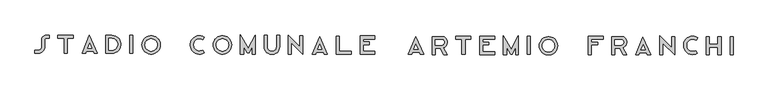
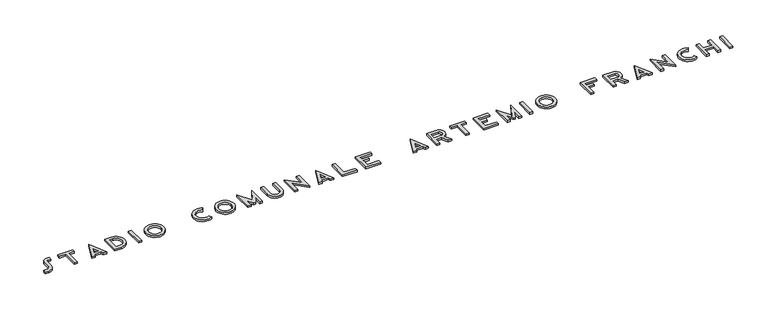
"""IFC4 building model written with IfcOpenShell, lengths in millimetres: proxy geometry."""

from ifc_helpers import new_model, si_unit, point, frame_2d, origin, origin_with_axes, place, context, project, spatial, polyline, circle_curve, trimmed, segment, composite_curve, outline, extrude, source, transform, mapped, element, save


def generic_models_a0e6b4f7(model_context):
    return source(origin(), model_context, "Body", "SweptSolid", [
        extrude(outline(composite_curve([segment(polyline([(-11337.7791341, -523.1241487), (-11449.7045724, -523.1241487), (-11449.7045724, -423.1241487), (-11337.7791341, -423.1241487)]), True, "CONTINUOUS"), segment(trimmed(circle_curve(frame_2d((-11337.7791341, -314.0341796)), 109.089969), [point((-11337.7791341, -423.1241487))], [point((-11228.6891651, -314.0341796))], True, "CARTESIAN"), True, "CONTINUOUS"), segment(polyline([(-11228.6891651, -314.0341796), (-11228.6891651, -81.2560431)]), True, "CONTINUOUS"), segment(trimmed(circle_curve(frame_2d((-11083.9654954, -81.2560431)), 144.7236697), [point((-11228.6891651, -81.2560431))], [point((-11083.9654954, 63.4676266))], False, "CARTESIAN"), True, "CONTINUOUS"), segment(polyline([(-11083.9654954, 63.4676266), (-10983.3874544, 63.4676266), (-10983.3874544, -36.5323734), (-11083.9654954, -36.5323734)]), True, "CONTINUOUS"), segment(trimmed(circle_curve(frame_2d((-11083.9654954, -81.2560431)), 44.7236697), [point((-11083.9654954, -36.5323734))], [point((-11128.6891651, -81.2560431))], True, "CARTESIAN"), True, "CONTINUOUS"), segment(polyline([(-11128.6891651, -81.2560431), (-11128.6891651, -314.0341796)]), True, "CONTINUOUS"), segment(trimmed(circle_curve(frame_2d((-11337.7791341, -314.0341796)), 209.089969), [point((-11128.6891651, -314.0341796))], [point((-11337.7791341, -523.1241487))], False, "CARTESIAN"), True, "CONTINUOUS")], self_intersect=False)), origin_with_axes(), (0.0, 0.0, 1.0), 60.0),
        extrude(outline(polyline([(-10493.4165696, -36.5323734), (-10696.1631427, -36.5323734), (-10696.1631427, 61.4618035), (-10196.0549292, 61.4618035), (-10196.0549292, -36.5323734), (-10381.9059545, -36.5323734), (-10381.9059545, -523.1241487), (-10493.4165696, -523.1241487), (-10493.4165696, -36.5323734)])), origin_with_axes(), (0.0, 0.0, 1.0), 60.0),
        extrude(outline(polyline([(-9662.5052329, 61.4618035), (-9402.2307979, -523.1241487), (-9511.6944258, -523.1241487), (-9543.926581, -450.7295427), (-9761.5904951, -450.7295427), (-9790.8398145, -523.1241487), (-9898.6932888, -523.1241487), (-9662.5052329, 61.4618035)]), holes=[polyline([(-9583.9826015, -360.7622476), (-9658.0386303, -194.4296836), (-9725.2413484, -360.7622476), (-9583.9826015, -360.7622476)])]), origin_with_axes(), (0.0, 0.0, 1.0), 60.0),
        extrude(outline(composite_curve([segment(polyline([(-9128.2563113, 61.4618035), (-8925.5097383, 61.4618035)]), True, "CONTINUOUS"), segment(trimmed(circle_curve(frame_2d((-8925.5097383, -230.8311726)), 292.2929761), [point((-8925.5097383, 61.4618035))], [point((-8925.5097383, -523.1241487))], False, "CARTESIAN"), True, "CONTINUOUS"), segment(polyline([(-8925.5097383, -523.1241487), (-9128.2563113, -523.1241487), (-9128.2563113, 61.4618035)]), True, "CONTINUOUS")], self_intersect=False), holes=[composite_curve([segment(polyline([(-9028.2563113, -38.5381965), (-9028.2563113, -423.1241487), (-8925.5097383, -423.1241487)]), True, "CONTINUOUS"), segment(trimmed(circle_curve(frame_2d((-8925.5097383, -230.8311726)), 192.2929761), [point((-8925.5097383, -423.1241487))], [point((-8925.5097383, -38.5381965))], True, "CARTESIAN"), True, "CONTINUOUS"), segment(polyline([(-8925.5097383, -38.5381965), (-9028.2563113, -38.5381965)]), True, "CONTINUOUS")], self_intersect=False)]), origin_with_axes(), (0.0, 0.0, 1.0), 60.0),
        extrude(outline(polyline([(-8339.9100532, 61.4618035), (-8239.9100532, 61.4618035), (-8239.9100532, -523.1241487), (-8339.9100532, -523.1241487), (-8339.9100532, 61.4618035)])), origin_with_axes(), (0.0, 0.0, 1.0), 60.0),
        extrude(outline(composite_curve([segment(trimmed(circle_curve(frame_2d((-7640.4343763, -249.5536038)), 302.2469198), [point((-7942.6812962, -249.5536038))], [point((-7338.1874565, -249.5536038))], False, "CARTESIAN"), True, "CONTINUOUS"), segment(trimmed(circle_curve(frame_2d((-7640.4343763, -249.5536038)), 302.2469198), [point((-7338.1874565, -249.5536038))], [point((-7942.6812962, -249.5536038))], False, "CARTESIAN"), True, "CONTINUOUS")], self_intersect=False), holes=[composite_curve([segment(trimmed(circle_curve(frame_2d((-7640.4343763, -249.5536038)), 202.2469198), [point((-7842.6812962, -249.5536038))], [point((-7438.1874565, -249.5536038))], True, "CARTESIAN"), True, "CONTINUOUS"), segment(trimmed(circle_curve(frame_2d((-7640.4343763, -249.5536038)), 202.2469198), [point((-7438.1874565, -249.5536038))], [point((-7842.6812962, -249.5536038))], True, "CARTESIAN"), True, "CONTINUOUS")], self_intersect=False)]), origin_with_axes(), (0.0, 0.0, 1.0), 60.0),
        extrude(outline(composite_curve([segment(trimmed(circle_curve(frame_2d((-6055.7484597, -249.5536038)), 302.2469198), [point((-5903.0620509, -510.3985024))], [point((-5894.0175099, 5.7820585))], False, "CARTESIAN"), True, "CONTINUOUS"), segment(polyline([(-5894.0175099, 5.7820585), (-5947.5270543, -78.6971026)]), True, "CONTINUOUS"), segment(trimmed(circle_curve(frame_2d((-6055.7484597, -249.5536038)), 202.2469198), [point((-5947.5270543, -78.6971026))], [point((-5953.5791609, -424.0965812))], True, "CARTESIAN"), True, "CONTINUOUS"), segment(polyline([(-5953.5791609, -424.0965812), (-5903.0620509, -510.3985024)]), True, "CONTINUOUS")], self_intersect=False)), origin_with_axes(), (0.0, 0.0, 1.0), 60.0),
        extrude(outline(composite_curve([segment(trimmed(circle_curve(frame_2d((-5301.8691191, -249.5536038)), 302.2469198), [point((-5604.1160389, -249.5536038))], [point((-4999.6221992, -249.5536038))], False, "CARTESIAN"), True, "CONTINUOUS"), segment(trimmed(circle_curve(frame_2d((-5301.8691191, -249.5536038)), 302.2469198), [point((-4999.6221992, -249.5536038))], [point((-5604.1160389, -249.5536038))], False, "CARTESIAN"), True, "CONTINUOUS")], self_intersect=False), holes=[composite_curve([segment(trimmed(circle_curve(frame_2d((-5301.8691191, -249.5536038)), 202.2469198), [point((-5504.1160389, -249.5536038))], [point((-5099.6221992, -249.5536038))], True, "CARTESIAN"), True, "CONTINUOUS"), segment(trimmed(circle_curve(frame_2d((-5301.8691191, -249.5536038)), 202.2469198), [point((-5099.6221992, -249.5536038))], [point((-5504.1160389, -249.5536038))], True, "CARTESIAN"), True, "CONTINUOUS")], self_intersect=False)]), origin_with_axes(), (0.0, 0.0, 1.0), 60.0),
        extrude(outline(polyline([(-4716.7029053, 77.1297911), (-4457.4963671, -365.6909139), (-4229.0056982, 64.0375342), (-4229.0056982, -551.6784209), (-4321.2097593, -551.6784209), (-4321.2097593, -315.4328026), (-4425.5554055, -511.6784209), (-4492.1101887, -511.6784209), (-4608.2993279, -313.1843672), (-4608.2993279, -551.6784209), (-4716.7029053, -551.6784209), (-4716.7029053, 77.1297911)])), origin_with_axes(), (0.0, 0.0, 1.0), 60.0),
        extrude(outline(composite_curve([segment(polyline([(-3929.2234623, -314.7802396), (-3929.2234623, 65.3763665), (-3829.2234623, 65.3763665), (-3829.2234623, -314.7802396)]), True, "CONTINUOUS"), segment(trimmed(circle_curve(frame_2d((-3679.4631912, -314.7802396)), 149.7602711), [point((-3829.2234623, -314.7802396))], [point((-3529.7029201, -314.7802396))], True, "CARTESIAN"), True, "CONTINUOUS"), segment(polyline([(-3529.7029201, -314.7802396), (-3529.7029201, 65.3763665), (-3429.7029201, 65.3763665), (-3429.7029201, -314.7802396)]), True, "CONTINUOUS"), segment(trimmed(circle_curve(frame_2d((-3679.4631912, -314.7802396)), 249.7602711), [point((-3429.7029201, -314.7802396))], [point((-3929.2234623, -314.7802396))], False, "CARTESIAN"), True, "CONTINUOUS")], self_intersect=False)), origin_with_axes(), (0.0, 0.0, 1.0), 60.0),
        extrude(outline(polyline([(-3148.4974438, 65.3763665), (-2765.0419688, -318.0791085), (-2765.0419688, 41.8695175), (-2665.0419688, 41.8695175), (-2665.0419688, -559.5004648), (-3048.4974438, -176.0449897), (-3048.4974438, -551.6784209), (-3148.4974438, -551.6784209), (-3148.4974438, 65.3763665)])), origin_with_axes(), (0.0, 0.0, 1.0), 60.0),
        extrude(outline(polyline([(-2120.1086326, 21.4618035), (-1859.8341976, -563.1241487), (-1969.2978255, -563.1241487), (-2001.5299808, -490.7295427), (-2219.1938948, -490.7295427), (-2248.4432143, -563.1241487), (-2356.2966885, -563.1241487), (-2120.1086326, 21.4618035)]), holes=[polyline([(-2041.5860013, -400.7622476), (-2115.6420301, -234.4296836), (-2182.8447482, -400.7622476), (-2041.5860013, -400.7622476)])]), origin_with_axes(), (0.0, 0.0, 1.0), 60.0),
        extrude(outline(polyline([(-1568.956119, -563.1241487), (-1568.956119, 31.8695175), (-1468.956119, 31.8695175), (-1468.956119, -463.1241487), (-1079.3231452, -463.1241487), (-1079.3231452, -563.1241487), (-1568.956119, -563.1241487)])), origin_with_axes(), (0.0, 0.0, 1.0), 60.0),
        extrude(outline(polyline([(-788.7577309, 41.8695175), (-300.9906132, 41.8695175), (-300.9906132, -60.7129965), (-688.8536224, -60.7129965), (-688.8536224, -145.9253243), (-489.0454055, -145.9253243), (-489.0454055, -238.7677889), (-688.8536224, -238.7677889), (-688.8536224, -463.1241487), (-300.9906132, -463.1241487), (-300.9906132, -563.1241487), (-788.7577309, -563.1241487), (-788.7577309, 41.8695175)])), origin_with_axes(), (0.0, 0.0, 1.0), 60.0),
        extrude(outline(polyline([(1033.2167111, 21.4618035), (1293.4911461, -563.1241487), (1184.0275182, -563.1241487), (1151.7953629, -490.7295427), (934.1314489, -490.7295427), (904.8821294, -563.1241487), (797.0286552, -563.1241487), (1033.2167111, 21.4618035)]), holes=[polyline([(1111.7393424, -400.7622476), (1037.6833136, -234.4296836), (970.4805956, -400.7622476), (1111.7393424, -400.7622476)])]), origin_with_axes(), (0.0, 0.0, 1.0), 60.0),
        extrude(outline(composite_curve([segment(polyline([(1571.3783778, 24.2217389), (1931.758963, 24.2217389)]), True, "CONTINUOUS"), segment(trimmed(circle_curve(frame_2d((1875.9882413, -162.8109985)), 195.1707413), [point((1931.758963, 24.2217389))], [point((1944.4332991, -345.586523))], False, "CARTESIAN"), True, "CONTINUOUS"), segment(polyline([(1944.4332991, -345.586523), (2070.5594645, -573.1241487), (1956.2240577, -573.1241487), (1840.7319815, -364.7709277), (1671.3783778, -364.7709277), (1671.3783778, -573.1241487), (1571.3783778, -573.1241487), (1571.3783778, 24.2217389)]), True, "CONTINUOUS")], self_intersect=False), holes=[composite_curve([segment(polyline([(1914.495028, -75.7782611), (1671.3783778, -75.7782611), (1671.3783778, -255.8865231), (1895.8481691, -255.8865231)]), True, "CONTINUOUS"), segment(trimmed(circle_curve(frame_2d((1875.9882413, -162.8109985)), 95.1707413), [point((1895.8481691, -255.8865231))], [point((1914.495028, -75.7782611))], True, "CARTESIAN"), True, "CONTINUOUS")], self_intersect=False)]), origin_with_axes(), (0.0, 0.0, 1.0), 60.0),
        extrude(outline(polyline([(2544.5901501, -66.5323734), (2341.8435771, -66.5323734), (2341.8435771, 31.4618035), (2841.9517906, 31.4618035), (2841.9517906, -66.5323734), (2656.1007653, -66.5323734), (2656.1007653, -553.1241487), (2544.5901501, -553.1241487), (2544.5901501, -66.5323734)])), origin_with_axes(), (0.0, 0.0, 1.0), 60.0),
        extrude(outline(polyline([(3135.8148832, 31.8695175), (3623.5820009, 31.8695175), (3623.5820009, -70.7129965), (3235.7189917, -70.7129965), (3235.7189917, -155.9253243), (3435.5272085, -155.9253243), (3435.5272085, -248.7677889), (3235.7189917, -248.7677889), (3235.7189917, -473.1241487), (3623.5820009, -473.1241487), (3623.5820009, -573.1241487), (3135.8148832, -573.1241487), (3135.8148832, 31.8695175)])), origin_with_axes(), (0.0, 0.0, 1.0), 60.0),
        extrude(outline(polyline([(3909.9204115, 57.1297911), (4169.1269498, -385.6909139), (4397.6176187, 44.0375342), (4397.6176187, -571.6784209), (4305.4135575, -571.6784209), (4305.4135575, -335.4328026), (4190.4337227, -551.6784209), (4146.2201931, -551.6784209), (4018.3239889, -333.1843672), (4018.3239889, -571.6784209), (3909.9204115, -571.6784209), (3909.9204115, 57.1297911)])), origin_with_axes(), (0.0, 0.0, 1.0), 60.0),
        extrude(outline(polyline([(4686.0016671, 31.4618035), (4786.0016671, 31.4618035), (4786.0016671, -553.1241487), (4686.0016671, -553.1241487), (4686.0016671, 31.4618035)])), origin_with_axes(), (0.0, 0.0, 1.0), 60.0),
        extrude(outline(composite_curve([segment(trimmed(circle_curve(frame_2d((5385.477344, -279.5536038)), 302.2469198), [point((5083.2304242, -279.5536038))], [point((5687.7242639, -279.5536038))], False, "CARTESIAN"), True, "CONTINUOUS"), segment(trimmed(circle_curve(frame_2d((5385.477344, -279.5536038)), 302.2469198), [point((5687.7242639, -279.5536038))], [point((5083.2304242, -279.5536038))], False, "CARTESIAN"), True, "CONTINUOUS")], self_intersect=False), holes=[composite_curve([segment(trimmed(circle_curve(frame_2d((5385.477344, -279.5536038)), 202.2469198), [point((5183.2304242, -279.5536038))], [point((5587.7242639, -279.5536038))], True, "CARTESIAN"), True, "CONTINUOUS"), segment(trimmed(circle_curve(frame_2d((5385.477344, -279.5536038)), 202.2469198), [point((5587.7242639, -279.5536038))], [point((5183.2304242, -279.5536038))], True, "CARTESIAN"), True, "CONTINUOUS")], self_intersect=False)]), origin_with_axes(), (0.0, 0.0, 1.0), 60.0),
        extrude(outline(polyline([(6695.2552639, 31.8695175), (7183.0223816, 31.8695175), (7183.0223816, -70.7129965), (6795.1593723, -70.7129965), (6795.1593723, -155.9253243), (6994.9675892, -155.9253243), (6994.9675892, -248.7677889), (6795.1593723, -248.7677889), (6795.1593723, -573.1241487), (6695.2552639, -573.1241487), (6695.2552639, 31.8695175)])), origin_with_axes(), (0.0, 0.0, 1.0), 60.0),
        extrude(outline(composite_curve([segment(polyline([(7452.2478709, 24.2217389), (7812.6284561, 24.2217389)]), True, "CONTINUOUS"), segment(trimmed(circle_curve(frame_2d((7756.8577344, -162.8109985)), 195.1707413), [point((7812.6284561, 24.2217389))], [point((7825.3027921, -345.586523))], False, "CARTESIAN"), True, "CONTINUOUS"), segment(polyline([(7825.3027921, -345.586523), (7951.4289576, -573.1241487), (7837.0935508, -573.1241487), (7721.6014745, -364.7709277), (7552.2478709, -364.7709277), (7552.2478709, -573.1241487), (7452.2478709, -573.1241487), (7452.2478709, 24.2217389)]), True, "CONTINUOUS")], self_intersect=False), holes=[composite_curve([segment(polyline([(7795.3645211, -75.7782611), (7552.2478709, -75.7782611), (7552.2478709, -255.8865231), (7776.7176622, -255.8865231)]), True, "CONTINUOUS"), segment(trimmed(circle_curve(frame_2d((7756.8577344, -162.8109985)), 95.1707413), [point((7776.7176622, -255.8865231))], [point((7795.3645211, -75.7782611))], True, "CARTESIAN"), True, "CONTINUOUS")], self_intersect=False)]), origin_with_axes(), (0.0, 0.0, 1.0), 60.0),
        extrude(outline(polyline([(8480.1457279, 6.4618035), (8740.4201628, -578.1241487), (8630.956535, -578.1241487), (8598.7243797, -505.7295427), (8381.0604656, -505.7295427), (8351.8111462, -578.1241487), (8243.9576719, -578.1241487), (8480.1457279, 6.4618035)]), holes=[polyline([(8558.6683592, -415.7622476), (8484.6123304, -249.4296836), (8417.4096123, -415.7622476), (8558.6683592, -415.7622476)])]), origin_with_axes(), (0.0, 0.0, 1.0), 60.0),
        extrude(outline(polyline([(9040.0361157, 45.3763665), (9423.4915907, -338.0791085), (9423.4915907, 21.8695175), (9523.4915907, 21.8695175), (9523.4915907, -579.5004648), (9140.0361157, -196.0449897), (9140.0361157, -571.6784209), (9040.0361157, -571.6784209), (9040.0361157, 45.3763665)])), origin_with_axes(), (0.0, 0.0, 1.0), 60.0),
        extrude(outline(composite_curve([segment(trimmed(circle_curve(frame_2d((10114.2347958, -264.5536038)), 302.2469198), [point((10266.9212046, -525.3985024))], [point((10275.9657457, -9.2179415))], False, "CARTESIAN"), True, "CONTINUOUS"), segment(polyline([(10275.9657457, -9.2179415), (10222.4562012, -93.6971026)]), True, "CONTINUOUS"), segment(trimmed(circle_curve(frame_2d((10114.2347958, -264.5536038)), 202.2469198), [point((10222.4562012, -93.6971026))], [point((10216.4040947, -439.0965812))], True, "CARTESIAN"), True, "CONTINUOUS"), segment(polyline([(10216.4040947, -439.0965812), (10266.9212046, -525.3985024)]), True, "CONTINUOUS")], self_intersect=False)), origin_with_axes(), (0.0, 0.0, 1.0), 60.0),
        extrude(outline(polyline([(11337.8596065, 16.4618035), (11437.8596065, 16.4618035), (11437.8596065, -568.1241487), (11337.8596065, -568.1241487), (11337.8596065, 16.4618035)])), origin_with_axes(), (0.0, 0.0, 1.0), 60.0),
        extrude(outline(polyline([(10942.2579214, -322.20756), (10651.1084322, -322.20756), (10651.1084322, -568.1241487), (10551.1084322, -568.1241487), (10551.1084322, 16.4618035), (10651.1084322, 16.4618035), (10651.1084322, -227.6691454), (10942.2579214, -227.6691454), (10942.2579214, 16.4618035), (11042.2579214, 16.4618035), (11042.2579214, -568.1241487), (10942.2579214, -568.1241487), (10942.2579214, -322.20756)])), origin_with_axes(), (0.0, 0.0, 1.0), 60.0),
    ])


if __name__ == "__main__":
    model = new_model("IFC4")
    model_context = context("Model", 3, world=origin())
    ifc_project = project(units=[si_unit("LENGTHUNIT", "METRE", prefix="MILLI")], contexts=[model_context])
    site = spatial("IfcSite", under=ifc_project)
    building = spatial("IfcBuilding", under=site)
    placement = place(None, origin())
    generic_models_shape = generic_models_a0e6b4f7(model_context)
    element("IfcBuildingElementProxy", 1, Name="Generic Models", at=placement, inside=building, context=model_context, shape_type="MappedRepresentation", body=[
        mapped(generic_models_shape, transform((0.0, 0.0, 0.0), x_axis=(1.0, 0.0, 0.0), y_axis=(0.0, 1.0, 0.0), z_axis=(0.0, 0.0, 1.0))),
    ])
    save(model, "model.ifc")
